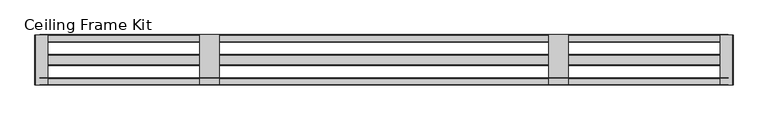
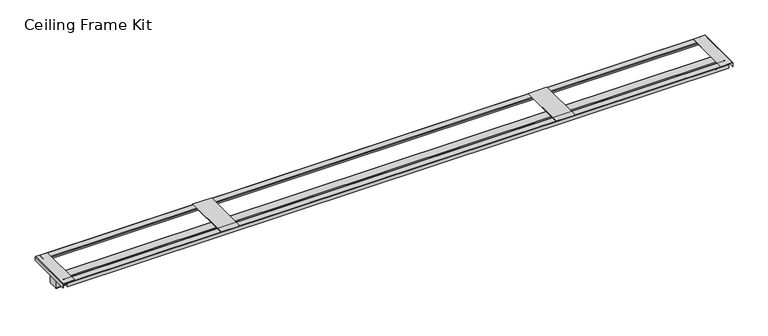
"""IFC4 building model written with IfcOpenShell, lengths in millimetres: proxy geometry, Ceiling Frame Kit."""

import ifcopenshell
import ifcopenshell.guid

model = None  # the IFC model being written
_history = None  # IfcOwnerHistory: only IFC2X3 demands one
_inside = {}  # id of a spatial element -> (the spatial element, [elements in it])
_under = {}  # id of a project, library or spatial element -> (it, [spatial elements below it])
_declared = {}  # id of a project -> (the project, [libraries it declares])
_typed = {}  # id of a type object -> (the type object, [elements of that type])
_made_of = {}  # id of a material, layer set ... -> (it, [elements and type objects made of it])


def new_model(schema):
    """Start an empty IFC model of exactly this schema.

    Asked for "IFC4X3", IfcOpenShell would pick the latest addendum, in which some entities
    have other attributes; the version numbers below select the first issue.
    IFC2X3 requires an IfcOwnerHistory on every rooted entity: one is made here for all.
    """
    global model, _history
    if schema == "IFC4X3":
        model = ifcopenshell.file(schema_version=(4, 3, 0, 0))
    else:
        model = ifcopenshell.file(schema=schema)
    _inside.clear()
    _under.clear()
    _declared.clear()
    _typed.clear()
    _made_of.clear()
    _history = None
    if model.schema == "IFC2X3":
        org = make("IfcOrganization", Name="unknown")
        user = make(
            "IfcPersonAndOrganization",
            ThePerson=make("IfcPerson", FamilyName="unknown"),
            TheOrganization=org,
        )
        app = make(
            "IfcApplication",
            ApplicationDeveloper=org,
            Version="unknown",
            ApplicationFullName="unknown",
            ApplicationIdentifier="unknown",
        )
        _history = make(
            "IfcOwnerHistory",
            OwningUser=user,
            OwningApplication=app,
            ChangeAction="ADDED",
            CreationDate=0,
        )
    return model


def make(cls, **values):
    """One entity of the class cls with the attributes given. An attribute that is None is left unset."""
    return model.create_entity(
        cls, **{name: value for name, value in values.items() if value is not None}
    )


def rooted(cls, **values):
    """An entity with a GlobalId (a new one), such as an element, a storey or a relation."""
    return make(cls, GlobalId=ifcopenshell.guid.new(), OwnerHistory=_history, **values)


def si_unit(unit_type, name, prefix=None):
    """IfcSIUnit, for example si_unit("LENGTHUNIT", "METRE", prefix="MILLI")."""
    return make("IfcSIUnit", UnitType=unit_type, Prefix=prefix, Name=name)


def assignment(units):
    """IfcUnitAssignment: the units of a project."""
    return None if units is None else make("IfcUnitAssignment", Units=units)


def point(xyz):
    """IfcCartesianPoint."""
    return None if xyz is None else make("IfcCartesianPoint", Coordinates=xyz)


def direction(xyz):
    """IfcDirection."""
    return None if xyz is None else make("IfcDirection", DirectionRatios=xyz)


def frame(location, z_axis=None, x_axis=None):
    """IfcAxis2Placement3D, a coordinate frame: its origin and axes. An axis left out is left unset."""
    return make(
        "IfcAxis2Placement3D",
        Location=point(location),
        Axis=direction(z_axis),
        RefDirection=direction(x_axis),
    )


def frame_2d(location, x_axis=None):
    """IfcAxis2Placement2D, a coordinate frame in the plane: its origin and x axis."""
    return make(
        "IfcAxis2Placement2D", Location=point(location), RefDirection=direction(x_axis)
    )


def origin():
    """The frame at (0, 0, 0) with its axes left unset."""
    return frame((0.0, 0.0, 0.0))


def place(relative_to, where):
    """IfcLocalPlacement: puts the frame where relative to a parent placement (None: the world)."""
    return make(
        "IfcLocalPlacement", PlacementRelTo=relative_to, RelativePlacement=where
    )


def context(
    kind, dimensions, precision=None, world=None, true_north=None, identifier=None
):
    """IfcGeometricRepresentationContext, for example the 3D "Model" context."""
    return make(
        "IfcGeometricRepresentationContext",
        ContextIdentifier=identifier,
        ContextType=kind,
        CoordinateSpaceDimension=dimensions,
        Precision=precision,
        WorldCoordinateSystem=world,
        TrueNorth=true_north,
    )


def project(units=None, contexts=None):
    """IfcProject with its units and contexts."""
    return rooted(
        "IfcProject",
        Name="project",
        RepresentationContexts=contexts,
        UnitsInContext=assignment(units),
    )


def spatial(cls, under=None, at=None, **own):
    """A site, building, storey or space (cls), placed at a placement, below another one or the project."""
    s = rooted(cls, ObjectPlacement=at, **own)
    if under is not None:
        _under.setdefault(under.id(), (under, []))[1].append(s)
    return s


def polyline(points):
    """IfcPolyline through the points."""
    return make("IfcPolyline", Points=[point(p) for p in points])


def circle_curve(where, radius):
    """IfcCircle in the frame where."""
    return make("IfcCircle", Position=where, Radius=radius)


def trimmed(basis, trim1, trim2, sense, master):
    """IfcTrimmedCurve: the piece of a basis curve between two trims."""
    return make(
        "IfcTrimmedCurve",
        BasisCurve=basis,
        Trim1=trim1,
        Trim2=trim2,
        SenseAgreement=sense,
        MasterRepresentation=master,
    )


def segment(curve, same_sense, transition):
    """IfcCompositeCurveSegment."""
    return make(
        "IfcCompositeCurveSegment",
        Transition=transition,
        SameSense=same_sense,
        ParentCurve=curve,
    )


def composite_curve(segments, self_intersect=None):
    """IfcCompositeCurve: segments joined end to end."""
    return make("IfcCompositeCurve", Segments=segments, SelfIntersect=self_intersect)


def outline(outer, holes=None, kind="AREA"):
    """IfcArbitraryClosedProfileDef: a profile drawn as a closed curve; with holes, ...WithVoids."""
    if holes is None:
        return make("IfcArbitraryClosedProfileDef", ProfileType=kind, OuterCurve=outer)
    return make(
        "IfcArbitraryProfileDefWithVoids",
        ProfileType=kind,
        OuterCurve=outer,
        InnerCurves=holes,
    )


def extrude(swept, where, along, depth):
    """IfcExtrudedAreaSolid: the profile swept, set in the frame where, extruded along a direction by depth."""
    return make(
        "IfcExtrudedAreaSolid",
        SweptArea=swept,
        Position=where,
        ExtrudedDirection=direction(along),
        Depth=depth,
    )


def shape(context_of_items, identifier, shape_type, items):
    """IfcShapeRepresentation: the items that make up one representation, for example the "Body"."""
    return make(
        "IfcShapeRepresentation",
        ContextOfItems=context_of_items,
        RepresentationIdentifier=identifier,
        RepresentationType=shape_type,
        Items=items,
    )


def source(mapping_origin, context_of_items, identifier, shape_type, items):
    """IfcRepresentationMap: a shape defined once, which mapped items show again and again."""
    return make(
        "IfcRepresentationMap",
        MappingOrigin=mapping_origin,
        MappedRepresentation=shape(context_of_items, identifier, shape_type, items),
    )


def transform(
    local_origin,
    x_axis=None,
    y_axis=None,
    z_axis=None,
    scale=None,
    scale2=None,
    scale3=None,
    uniform=True,
):
    """IfcCartesianTransformationOperator3D, or its non-uniform kind. x_axis, y_axis, z_axis: its Axis1, 2, 3."""
    if uniform:
        return make(
            "IfcCartesianTransformationOperator3D",
            Axis1=direction(x_axis),
            Axis2=direction(y_axis),
            LocalOrigin=point(local_origin),
            Scale=scale,
            Axis3=direction(z_axis),
        )
    return make(
        "IfcCartesianTransformationOperator3DnonUniform",
        Axis1=direction(x_axis),
        Axis2=direction(y_axis),
        LocalOrigin=point(local_origin),
        Scale=scale,
        Axis3=direction(z_axis),
        Scale2=scale2,
        Scale3=scale3,
    )


def mapped(mapping_source, mapping_target):
    """IfcMappedItem: shows the shape of a source again, moved by a transform."""
    return make(
        "IfcMappedItem", MappingSource=mapping_source, MappingTarget=mapping_target
    )


def made_of(thing, what):
    """Note that an element or type object is made of a material, layer set ...; save() writes the relation."""
    if what is not None:
        _made_of.setdefault(what.id(), (what, []))[1].append(thing)
    return thing


def element(
    cls,
    number,
    at=None,
    inside=None,
    cuts=None,
    type_object=None,
    material=None,
    context=None,
    identifier="Body",
    shape_type=None,
    held_by="IfcProductDefinitionShape",
    body=None,
    shapes=None,
    **own,
):
    """One element of the class cls, such as IfcWall. Its Tag is "e" and its number.

    at: its placement. inside: the storey or other place that contains it. cuts: it is an
    opening in that element (IfcRelVoidsElement). A single representation is given by context,
    identifier, shape_type and body (its items); several are given by shapes. held_by: the class
    of the entity that holds the representations. save() writes the other relations.
    """
    e = rooted(cls, Tag="e%d" % number, ObjectPlacement=at, **own)
    if body is not None:
        shapes = [shape(context, identifier, shape_type, body)]
    if shapes is not None:
        e.Representation = make(held_by, Representations=shapes)
    if inside is not None:
        _inside.setdefault(inside.id(), (inside, []))[1].append(e)
    if cuts is not None:
        rooted(
            "IfcRelVoidsElement", RelatingBuildingElement=cuts, RelatedOpeningElement=e
        )
    if type_object is not None:
        _typed.setdefault(type_object.id(), (type_object, []))[1].append(e)
    return made_of(e, material)


def aggregate(whole, parts):
    """IfcRelAggregates: a whole, such as a stair, and the parts it consists of."""
    return rooted("IfcRelAggregates", RelatingObject=whole, RelatedObjects=parts)


def save(model, path):
    """Write the relations noted so far, then the file.

    IfcRelAggregates (storeys below a building ...), IfcRelContainedInSpatialStructure (elements
    in a storey), IfcRelDefinesByType, IfcRelAssociatesMaterial and IfcRelDeclares: one each for
    every whole, place, type object, material and project.
    """
    for whole, parts in _under.values():
        aggregate(whole, parts)
    for where, things in _inside.values():
        rooted(
            "IfcRelContainedInSpatialStructure",
            RelatedElements=things,
            RelatingStructure=where,
        )
    for kind, things in _typed.values():
        rooted("IfcRelDefinesByType", RelatedObjects=things, RelatingType=kind)
    for what, things in _made_of.values():
        rooted("IfcRelAssociatesMaterial", RelatedObjects=things, RelatingMaterial=what)
    for by, libraries in _declared.values():
        rooted("IfcRelDeclares", RelatingContext=by, RelatedDefinitions=libraries)
    model.write(path)


def ceiling_frame_kit_a6af0126(model_context):
    return source(origin(), model_context, "Body", "SweptSolid", [
        extrude(outline(polyline([(144.2215389, 7.7140625), (144.2215389, -252.6359375), (42.6215389, -252.6359375), (42.6215389, 7.7140625), (144.2215389, 7.7140625)])), frame((0.0, 0.0, 3059.1125), z_axis=(0.0, 0.0, 1.0), x_axis=(1.0, 0.0, 0.0)), (0.0, 0.0, 1.0), 1.5875),
        extrude(outline(polyline([(1941.0937389, 7.7140625), (1941.0937389, -252.6359375), (1839.4937389, -252.6359375), (1839.4937389, 7.7140625), (1941.0937389, 7.7140625)])), frame((0.0, 0.0, 3059.1125), z_axis=(0.0, 0.0, 1.0), x_axis=(1.0, 0.0, 0.0)), (0.0, 0.0, 1.0), 1.5875),
        extrude(outline(composite_curve([segment(polyline([(-251.4167375, 3056.9111588), (-251.4167375, 3038.2837), (-252.6359375, 3038.2837), (-252.6359375, 3057.0457619)]), True, "CONTINUOUS"), segment(trimmed(circle_curve(frame_2d((-250.5056994, 3057.0457619)), 2.1302381), [point((-252.6359375, 3057.0457619))], [point((-250.5056994, 3059.176))], False, "CARTESIAN"), True, "CONTINUOUS"), segment(polyline([(-250.5056994, 3059.176), (-217.1305722, 3059.176)]), True, "CONTINUOUS"), segment(trimmed(circle_curve(frame_2d((-217.1305722, 3056.9623653)), 2.2136347), [point((-217.1305722, 3059.176))], [point((-214.9169375, 3056.9623653))], False, "CARTESIAN"), True, "CONTINUOUS"), segment(polyline([(-214.9169375, 3056.9623653), (-214.9169375, 3046.476), (-216.1361375, 3046.476), (-216.1361375, 3057.1254064)]), True, "CONTINUOUS"), segment(trimmed(circle_curve(frame_2d((-216.9675311, 3057.1254064)), 0.8313936), [point((-216.1361375, 3057.1254064))], [point((-216.9675311, 3057.9568))], True, "CARTESIAN"), True, "CONTINUOUS"), segment(polyline([(-216.9675311, 3057.9568), (-250.3710963, 3057.9568)]), True, "CONTINUOUS"), segment(trimmed(circle_curve(frame_2d((-250.3710963, 3056.9111588)), 1.0456412), [point((-250.3710963, 3057.9568))], [point((-251.4167375, 3056.9111588))], True, "CARTESIAN"), True, "CONTINUOUS")], self_intersect=False)), frame((-781.2135522, 0.0, 0.0), z_axis=(1.0, 0.0, 0.0), x_axis=(0.0, 1.0, 0.0)), (0.0, 0.0, 1.0), 3546.1423822),
        extrude(outline(composite_curve([segment(polyline([(-28.7857375, 3046.476), (-30.0049375, 3046.476), (-30.0049375, 3056.9911347)]), True, "CONTINUOUS"), segment(trimmed(circle_curve(frame_2d((-27.8200722, 3056.9911347)), 2.1848653), [point((-30.0049375, 3056.9911347))], [point((-27.8200722, 3059.176))], False, "CARTESIAN"), True, "CONTINUOUS"), segment(polyline([(-27.8200722, 3059.176), (5.6253472, 3059.176)]), True, "CONTINUOUS"), segment(trimmed(circle_curve(frame_2d((5.6253472, 3057.0872847)), 2.0887153), [point((5.6253472, 3059.176))], [point((7.7140625, 3057.0872847))], False, "CARTESIAN"), True, "CONTINUOUS"), segment(polyline([(7.7140625, 3057.0872847), (7.7140625, 3038.2837), (6.4948625, 3038.2837), (6.4948625, 3057.0798832)]), True, "CONTINUOUS"), segment(trimmed(circle_curve(frame_2d((5.6179457, 3057.0798832)), 0.8769168), [point((6.4948625, 3057.0798832))], [point((5.6179457, 3057.9568))], True, "CARTESIAN"), True, "CONTINUOUS"), segment(polyline([(5.6179457, 3057.9568), (-27.7686945, 3057.9568)]), True, "CONTINUOUS"), segment(trimmed(circle_curve(frame_2d((-27.7686945, 3056.939757)), 1.017043), [point((-27.7686945, 3057.9568))], [point((-28.7857375, 3056.939757))], True, "CARTESIAN"), True, "CONTINUOUS"), segment(polyline([(-28.7857375, 3056.939757), (-28.7857375, 3046.476)]), True, "CONTINUOUS")], self_intersect=False)), frame((-781.2135522, 0.0, 0.0), z_axis=(1.0, 0.0, 0.0), x_axis=(0.0, 1.0, 0.0)), (0.0, 0.0, 1.0), 3546.1423822),
        extrude(outline(composite_curve([segment(polyline([(-149.8878575, 2970.0470435), (-149.8878575, 3007.3937696)]), True, "CONTINUOUS"), segment(trimmed(circle_curve(frame_2d((-147.3816271, 3007.3937696)), 2.5062304), [point((-149.8878575, 3007.3937696))], [point((-147.3816271, 3009.9))], False, "CARTESIAN"), True, "CONTINUOUS"), segment(polyline([(-147.3816271, 3009.9), (-97.4741283, 3009.9)]), True, "CONTINUOUS"), segment(trimmed(circle_curve(frame_2d((-97.4741283, 3007.4598892)), 2.4401108), [point((-97.4741283, 3009.9))], [point((-95.0340175, 3007.4598892))], False, "CARTESIAN"), True, "CONTINUOUS"), segment(polyline([(-95.0340175, 3007.4598892), (-95.0340175, 2971.3562893)]), True, "CONTINUOUS"), segment(trimmed(circle_curve(frame_2d((-100.2545068, 2971.3562893)), 5.2204893), [point((-95.0340175, 2971.3562893))], [point((-100.2545068, 2966.1358))], False, "CARTESIAN"), True, "CONTINUOUS"), segment(polyline([(-100.2545068, 2966.1358), (-145.976614, 2966.1358)]), True, "CONTINUOUS"), segment(trimmed(circle_curve(frame_2d((-145.976614, 2970.0470435)), 3.9112435), [point((-145.976614, 2966.1358))], [point((-149.8878575, 2970.0470435))], False, "CARTESIAN"), True, "CONTINUOUS")], self_intersect=False)), frame((-781.2135522, 0.0, 0.0), z_axis=(1.0, 0.0, 0.0), x_axis=(0.0, 1.0, 0.0)), (0.0, 0.0, 1.0), 3546.1423822),
        extrude(outline(composite_curve([segment(trimmed(circle_curve(frame_2d((3058.0375326, -802.3520937)), 1.0749674), [point((3058.0375326, -803.4270611))], [point((3059.1125, -802.3520937))], True, "CARTESIAN"), True, "CONTINUOUS"), segment(polyline([(3059.1125, -802.3520937), (3059.1125, -739.9270611), (3060.7, -739.9270611), (3060.7, -802.4083107)]), True, "CONTINUOUS"), segment(trimmed(circle_curve(frame_2d((3058.0937496, -802.4083107)), 2.6062504), [point((3060.7, -802.4083107))], [point((3058.0937496, -805.0145611))], False, "CARTESIAN"), True, "CONTINUOUS"), segment(polyline([(3058.0937496, -805.0145611), (3038.475, -805.0145611), (3038.475, -803.4270611), (3058.0375326, -803.4270611)]), True, "CONTINUOUS")], self_intersect=False)), frame((0.0, -250.4609375, 0.0), z_axis=(0.0, 1.0, 0.0), x_axis=(0.0, 0.0, 1.0)), (0.0, 0.0, 1.0), 256.0000001),
        extrude(outline(composite_curve([segment(trimmed(circle_curve(frame_2d((3058.3509434, 2786.3807823)), 0.7615566), [point((3059.1125, 2786.3807823))], [point((3058.3509434, 2787.1423389))], True, "CARTESIAN"), True, "CONTINUOUS"), segment(polyline([(3058.3509434, 2787.1423389), (3038.475, 2787.1423389), (3038.475, 2788.7298389), (3058.4519064, 2788.7298389)]), True, "CONTINUOUS"), segment(trimmed(circle_curve(frame_2d((3058.4519064, 2786.4817453)), 2.2480936), [point((3058.4519064, 2788.7298389))], [point((3060.7, 2786.4817453))], False, "CARTESIAN"), True, "CONTINUOUS"), segment(polyline([(3060.7, 2786.4817453), (3060.7, 2723.6423389), (3059.1125, 2723.6423389), (3059.1125, 2786.3807823)]), True, "CONTINUOUS")], self_intersect=False)), frame((0.0, -250.4609375, 0.0), z_axis=(0.0, 1.0, 0.0), x_axis=(0.0, 0.0, 1.0)), (0.0, 0.0, 1.0), 256.0000001),
    ])


if __name__ == "__main__":
    model = new_model("IFC4")
    model_context = context("Model", 3, world=origin())
    ifc_project = project(units=[si_unit("LENGTHUNIT", "METRE", prefix="MILLI")], contexts=[model_context])
    site = spatial("IfcSite", under=ifc_project)
    building = spatial("IfcBuilding", under=site)
    placement = place(None, origin())
    ceiling_frame_kit_shape = ceiling_frame_kit_a6af0126(model_context)
    element("IfcBuildingElementProxy", 1, Name="Ceiling Frame Kit", ObjectType="Ceiling Frame Kit", at=placement, inside=building, context=model_context, shape_type="MappedRepresentation", body=[
        mapped(ceiling_frame_kit_shape, transform((0.0, 0.0, 0.0), x_axis=(1.0, 0.0, 0.0), y_axis=(0.0, 1.0, 0.0), z_axis=(0.0, 0.0, 1.0))),
    ])
    save(model, "model.ifc")
